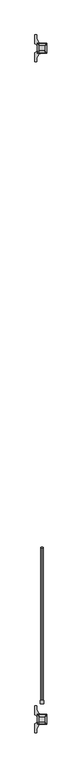
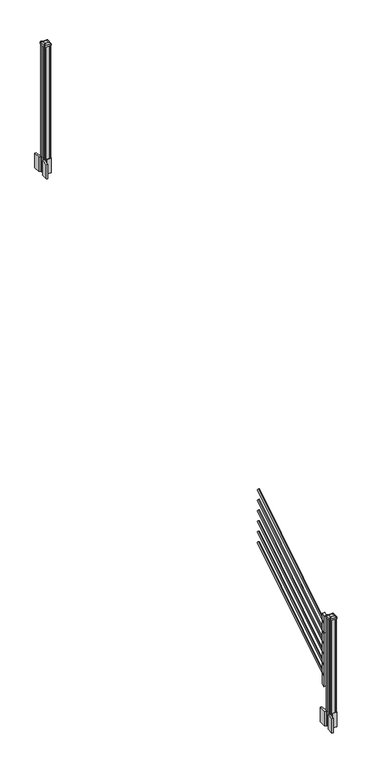
"""IFC4 building model written with IfcOpenShell, lengths in millimetres: railing geometry."""

from ifc_helpers import new_model, si_unit, point, frame, frame_2d, origin, origin_2d, place, context, project, spatial, polyline, circle_curve, trimmed, segment, composite_curve, outline, extrude, source, transform, mapped, element, save
from ifc_brep_helpers import plane_surface, extruded_surface, advanced_brep


def railing_b0cedaad(model_context):
    return source(origin(), model_context, "Body", "SolidModel", [
        extrude(outline(composite_curve([segment(trimmed(circle_curve(origin_2d(), 8.001), [point((0.0, 8.001))], [point((0.0, -8.001))], False, "CARTESIAN"), True, "CONTINUOUS"), segment(trimmed(circle_curve(origin_2d(), 8.001), [point((0.0, -8.001))], [point((0.0, 8.001))], False, "CARTESIAN"), True, "CONTINUOUS")], self_intersect=False)), frame((8331.3274858, -142640.4708453, 505.0646159), z_axis=(0.0, 0.8479983040051253, 0.5299989400031202), x_axis=(1.0, 0.0, 0.0)), (0.0, 0.0, 1.0), 1347.8800542),
        extrude(outline(composite_curve([segment(trimmed(circle_curve(origin_2d(), 8.001), [point((0.0, 8.001))], [point((0.0, -8.001))], False, "CARTESIAN"), True, "CONTINUOUS"), segment(trimmed(circle_curve(origin_2d(), 8.001), [point((0.0, -8.001))], [point((0.0, 8.001))], False, "CARTESIAN"), True, "CONTINUOUS")], self_intersect=False)), frame((8331.3274858, -142640.4708453, 616.2545274), z_axis=(0.0, 0.8479983040051253, 0.5299989400031202), x_axis=(1.0, 0.0, 0.0)), (0.0, 0.0, 1.0), 1347.8800542),
        extrude(outline(composite_curve([segment(trimmed(circle_curve(origin_2d(), 8.001), [point((0.0, 8.001))], [point((0.0, -8.001))], False, "CARTESIAN"), True, "CONTINUOUS"), segment(trimmed(circle_curve(origin_2d(), 8.001), [point((0.0, -8.001))], [point((0.0, 8.001))], False, "CARTESIAN"), True, "CONTINUOUS")], self_intersect=False)), frame((8331.3274858, -142640.4708453, 727.444439), z_axis=(0.0, 0.8479983040051254, 0.5299989400031202), x_axis=(1.0, 0.0, 0.0)), (0.0, 0.0, 1.0), 1347.8800542),
        extrude(outline(composite_curve([segment(trimmed(circle_curve(origin_2d(), 8.001), [point((0.0, 8.001))], [point((0.0, -8.001))], False, "CARTESIAN"), True, "CONTINUOUS"), segment(trimmed(circle_curve(origin_2d(), 8.001), [point((0.0, -8.001))], [point((0.0, 8.001))], False, "CARTESIAN"), True, "CONTINUOUS")], self_intersect=False)), frame((8331.3274858, -142640.4708453, 838.6343506), z_axis=(0.0, 0.8479983040051254, 0.5299989400031202), x_axis=(1.0, 0.0, 0.0)), (0.0, 0.0, 1.0), 1347.8800542),
        extrude(outline(composite_curve([segment(trimmed(circle_curve(origin_2d(), 8.001), [point((0.0, 8.001))], [point((0.0, -8.001))], False, "CARTESIAN"), True, "CONTINUOUS"), segment(trimmed(circle_curve(origin_2d(), 8.001), [point((0.0, -8.001))], [point((0.0, 8.001))], False, "CARTESIAN"), True, "CONTINUOUS")], self_intersect=False)), frame((8331.3274858, -142640.4708453, 949.8242622), z_axis=(0.0, 0.8479983040051253, 0.5299989400031203), x_axis=(1.0, 0.0, 0.0)), (0.0, 0.0, 1.0), 1347.8800542),
        extrude(outline(composite_curve([segment(trimmed(circle_curve(origin_2d(), 8.001), [point((0.0, 8.001))], [point((0.0, -8.001))], False, "CARTESIAN"), True, "CONTINUOUS"), segment(trimmed(circle_curve(origin_2d(), 8.001), [point((0.0, -8.001))], [point((0.0, 8.001))], False, "CARTESIAN"), True, "CONTINUOUS")], self_intersect=False)), frame((8331.3274858, -142640.4708453, 1061.0141737), z_axis=(0.0, 0.8479983040051253, 0.5299989400031203), x_axis=(1.0, 0.0, 0.0)), (0.0, 0.0, 1.0), 1347.8800542),
        extrude(outline(polyline([(-142622.6908453, 415.0953781), (-142648.0908453, 399.2203781), (-142648.0908453, 1140.1425), (-142622.6908453, 1156.0175), (-142622.6908453, 415.0953781)])), frame((8318.9376478, 0.0, 0.0), z_axis=(1.0, 0.0, 0.0), x_axis=(0.0, 1.0, 0.0)), (0.0, 0.0, 1.0), 25.4),
        extrude(outline(composite_curve([segment(polyline([(8364.6893978, -137837.4449401), (8366.2768978, -137838.2069401), (8366.2768978, -137851.7378682), (8363.0626707, -137854.9520953), (8311.3819999, -137854.9520953), (8311.3819999, -137855.8728453), (8315.7323311, -137855.8728453), (8315.7323311, -137857.3271), (8310.6478014, -137857.3271), (8310.6478014, -137858.6111238), (8318.4385135, -137858.6111238)]), True, "CONTINUOUS"), segment(trimmed(circle_curve(frame_2d((8318.4385135, -137875.3543337)), 16.7432099), [point((8318.4385135, -137858.6111238))], [point((8301.8163912, -137873.344327))], True, "CARTESIAN"), True, "CONTINUOUS"), segment(polyline([(8301.8163912, -137873.344327), (8294.1009469, -137890.3796654)]), True, "CONTINUOUS"), segment(trimmed(circle_curve(frame_2d((8339.2017103, -137906.6517151)), 47.9464123), [point((8294.1009469, -137890.3796654))], [point((8291.255298, -137906.6517151))], True, "CARTESIAN"), True, "CONTINUOUS"), segment(polyline([(8291.255298, -137906.6517151), (8291.255298, -137918.6604547), (8279.0517103, -137918.6604547), (8279.0517103, -137853.3645953), (8296.9983978, -137841.788179), (8296.9983978, -137838.2069401), (8298.5858978, -137837.4449401), (8298.5858978, -137803.1807504), (8296.9983978, -137802.4187504), (8296.9983978, -137798.8375116), (8279.0517103, -137787.2610953), (8279.0517103, -137721.9652359), (8291.255298, -137721.9652359), (8291.255298, -137733.9739755)]), True, "CONTINUOUS"), segment(trimmed(circle_curve(frame_2d((8339.2017103, -137733.9739755)), 47.9464123), [point((8291.255298, -137733.9739755))], [point((8294.1009469, -137750.2460251))], True, "CARTESIAN"), True, "CONTINUOUS"), segment(polyline([(8294.1009469, -137750.2460251), (8301.8163912, -137767.2813636)]), True, "CONTINUOUS"), segment(trimmed(circle_curve(frame_2d((8318.4385135, -137765.2713569)), 16.7432099), [point((8301.8163912, -137767.2813636))], [point((8318.4385135, -137782.0145668))], True, "CARTESIAN"), True, "CONTINUOUS"), segment(polyline([(8318.4385135, -137782.0145668), (8320.1057858, -137782.0145668), (8320.1057858, -137783.2985906), (8315.7323311, -137783.2985906), (8315.7323311, -137784.7528453), (8311.3819999, -137784.7528453), (8311.3819999, -137785.6735953), (8363.0626707, -137785.6735953), (8366.2768978, -137788.8878224), (8366.2768978, -137802.4187504), (8364.6893978, -137803.1807504), (8364.6893978, -137837.4449401)]), True, "CONTINUOUS")], self_intersect=False), holes=[polyline([(8299.8876478, -137790.1503453), (8299.8876478, -137850.4753453), (8301.4751478, -137852.0628453), (8328.8744304, -137852.0628453), (8361.8001478, -137852.0628453), (8363.3876478, -137850.4753453), (8363.3876478, -137790.1503453), (8361.8001478, -137788.5628453), (8328.8744304, -137788.5628453), (8301.4751478, -137788.5628453), (8299.8876478, -137790.1503453)])]), frame((0.0, 0.0, 2895.6), z_axis=(0.0, 0.0, 1.0), x_axis=(1.0, 0.0, 0.0)), (0.0, 0.0, 1.0), 152.4),
        advanced_brep(
        [(8315.7626478, -137839.3628453, 4264.149263), (8347.5126478, -137839.3628453, 4264.149263), (8350.6876478, -137836.1878453, 4264.149263), (8350.6876478, -137804.4378453, 4264.149263), (8347.5126478, -137801.2628453, 4264.149263), (8315.7626478, -137801.2628453, 4264.149263), (8312.5876478, -137804.4378453, 4264.149263), (8312.5876478, -137836.1878453, 4264.149263), (8299.2526478, -137855.8728453, 4252.846263), (8296.0776478, -137852.6978453, 4252.846263), (8296.0776478, -137787.9278453, 4252.846263), (8299.2526478, -137784.7528453, 4252.846263), (8364.0226478, -137784.7528453, 4252.846263), (8367.1976478, -137787.9278453, 4252.846263), (8367.1976478, -137852.6978453, 4252.846263), (8364.0226478, -137855.8728453, 4252.846263)],
        [
            (0, 1),
            (1, 2, circle_curve(frame((8347.5126478, -137836.1878453, 4264.149263), z_axis=(0.0, 0.0, 1.0), x_axis=(0.0, 1.0, 0.0)), 3.175)),
            (2, 3),
            (3, 4, circle_curve(frame((8347.5126478, -137804.4378453, 4264.149263), z_axis=(0.0, 0.0, 1.0), x_axis=(0.0, 1.0, 0.0)), 3.175)),
            (4, 5),
            (5, 6, circle_curve(frame((8315.7626478, -137804.4378453, 4264.149263), z_axis=(0.0, 0.0, 1.0), x_axis=(0.0, 1.0, 0.0)), 3.175)),
            (6, 7),
            (7, 0, circle_curve(frame((8315.7626478, -137836.1878453, 4264.149263), z_axis=(0.0, 0.0, 1.0), x_axis=(0.0, 1.0, 0.0)), 3.175)),
            (8, 9, circle_curve(frame((8299.2526478, -137852.6978453, 4252.846263), z_axis=(0.0, 0.0, -1.0), x_axis=(0.0, 1.0, 0.0)), 3.175)),
            (9, 10),
            (10, 11, circle_curve(frame((8299.2526478, -137787.9278453, 4252.846263), z_axis=(0.0, 0.0, -1.0), x_axis=(0.0, 1.0, 0.0)), 3.175)),
            (11, 12),
            (12, 13, circle_curve(frame((8364.0226478, -137787.9278453, 4252.846263), z_axis=(0.0, 0.0, -1.0), x_axis=(0.0, 1.0, 0.0)), 3.175)),
            (13, 14),
            (14, 15, circle_curve(frame((8364.0226478, -137852.6978453, 4252.846263), z_axis=(0.0, 0.0, -1.0), x_axis=(0.0, 1.0, 0.0)), 3.175)),
            (15, 8),
            (8, 0),
            (7, 9),
            (6, 10),
            (5, 11),
            (4, 12),
            (3, 13),
            (2, 14),
            (1, 15),
        ],
        [
            plane_surface(frame((8331.6376478, -137820.3128453, 4264.149263), z_axis=(0.0, 0.0, 1.0), x_axis=(-1.0, 0.0, 0.0))),
            plane_surface(frame((8331.6376478, -137820.3128453, 4252.846263), z_axis=(0.0, 0.0, -1.0), x_axis=(-1.0, 0.0, 0.0))),
            extruded_surface(trimmed(circle_curve(frame((8315.7626478, -137836.1878453, 4264.149263), z_axis=(0.0, 0.0, -1.0), x_axis=(0.0, 1.0, 0.0)), 3.175), [point((8315.7626478, -137839.3628453, 4264.149263))], [point((8312.5876478, -137836.1878453, 4264.149263))], True, "CARTESIAN"), (-16.51000000000022, -16.50999999998021, -11.302999999999884), 25.940663233605864),
            plane_surface(frame((8296.0776478, -137820.3128453, 4252.846263), z_axis=(-0.5649114395471265, 0.0, 0.8251515409116033), x_axis=(0.0, 1.0, 0.0))),
            extruded_surface(trimmed(circle_curve(frame((8315.7626478, -137804.4378453, 4264.149263), z_axis=(0.0, 0.0, -1.0), x_axis=(0.0, 1.0, 0.0)), 3.175), [point((8312.5876478, -137804.4378453, 4264.149263))], [point((8315.7626478, -137801.2628453, 4264.149263))], True, "CARTESIAN"), (-16.51000000000022, 16.510000000009313, -11.302999999999884), 25.940663233624388),
            plane_surface(frame((8331.6376478, -137784.7528453, 4252.846263), z_axis=(0.0, 0.564911439547091, 0.8251515409116277), x_axis=(1.0, 0.0, 0.0))),
            extruded_surface(trimmed(circle_curve(frame((8347.5126478, -137804.4378453, 4264.149263), z_axis=(0.0, 0.0, -1.0), x_axis=(0.0, 1.0, 0.0)), 3.175), [point((8347.5126478, -137801.2628453, 4264.149263))], [point((8350.6876478, -137804.4378453, 4264.149263))], True, "CARTESIAN"), (16.51000000000022, 16.510000000009313, -11.302999999999884), 25.940663233624388),
            plane_surface(frame((8367.1976478, -137820.3128453, 4252.846263), z_axis=(0.5649114395470568, 0.0, 0.8251515409116511), x_axis=(0.0, -1.0, 0.0))),
            extruded_surface(trimmed(circle_curve(frame((8347.5126478, -137836.1878453, 4264.149263), z_axis=(0.0, 0.0, -1.0), x_axis=(0.0, 1.0, 0.0)), 3.175), [point((8350.6876478, -137836.1878453, 4264.149263))], [point((8347.5126478, -137839.3628453, 4264.149263))], True, "CARTESIAN"), (16.51000000000022, -16.50999999998021, -11.302999999999884), 25.940663233605864),
            plane_surface(frame((8331.6376478, -137855.8728453, 4252.846263), z_axis=(0.0, -0.5649114395471048, 0.8251515409116182), x_axis=(-1.0, 0.0, 0.0))),
        ],
        [
            (0, [[1, 2, 3, 4, 5, 6, 7, 8]]),
            (1, [[9, 10, 11, 12, 13, 14, 15, 16]]),
            (2, [[17, -8, 18, -9]]),
            (3, [[-18, -7, 19, -10]]),
            (4, [[-19, -6, 20, -11]]),
            (5, [[-20, -5, 21, -12]]),
            (6, [[-21, -4, 22, -13]]),
            (7, [[-22, -3, 23, -14]]),
            (8, [[-23, -2, 24, -15]]),
            (9, [[-24, -1, -17, -16]]),
        ],
    ),
        extrude(outline(composite_curve([segment(trimmed(circle_curve(frame_2d((8299.2526478, -137852.6978453)), 3.175), [point((8299.2526478, -137855.8728453))], [point((8296.0776478, -137852.6978453))], False, "CARTESIAN"), True, "CONTINUOUS"), segment(polyline([(8296.0776478, -137852.6978453), (8296.0776478, -137787.9278453)]), True, "CONTINUOUS"), segment(trimmed(circle_curve(frame_2d((8299.2526478, -137787.9278453)), 3.175), [point((8296.0776478, -137787.9278453))], [point((8299.2526478, -137784.7528453))], False, "CARTESIAN"), True, "CONTINUOUS"), segment(polyline([(8299.2526478, -137784.7528453), (8364.0226478, -137784.7528453)]), True, "CONTINUOUS"), segment(trimmed(circle_curve(frame_2d((8364.0226478, -137787.9278453)), 3.175), [point((8364.0226478, -137784.7528453))], [point((8367.1976478, -137787.9278453))], False, "CARTESIAN"), True, "CONTINUOUS"), segment(polyline([(8367.1976478, -137787.9278453), (8367.1976478, -137852.6978453)]), True, "CONTINUOUS"), segment(trimmed(circle_curve(frame_2d((8364.0226478, -137852.6978453)), 3.175), [point((8367.1976478, -137852.6978453))], [point((8364.0226478, -137855.8728453))], False, "CARTESIAN"), True, "CONTINUOUS"), segment(polyline([(8364.0226478, -137855.8728453), (8299.2526478, -137855.8728453)]), True, "CONTINUOUS")], self_intersect=False)), frame((0.0, 0.0, 4235.574263), z_axis=(0.0, 0.0, 1.0), x_axis=(1.0, 0.0, 0.0)), (0.0, 0.0, 1.0), 17.272),
        extrude(outline(polyline([(8301.4751478, -137852.0628453), (8299.8876478, -137850.4753453), (8299.8876478, -137840.1248453), (8301.4751478, -137839.3628453), (8301.4751478, -137801.2628453), (8299.8876478, -137800.5008453), (8299.8876478, -137790.1503453), (8301.4751478, -137788.5628453), (8311.8256478, -137788.5628453), (8312.5876478, -137790.1503453), (8350.6876478, -137790.1503453), (8351.4496478, -137788.5628453), (8361.8001478, -137788.5628453), (8363.3876478, -137790.1503453), (8363.3876478, -137800.5008453), (8361.8001478, -137801.2628453), (8361.8001478, -137839.3628453), (8363.3876478, -137840.1248453), (8363.3876478, -137850.4753453), (8361.8001478, -137852.0628453), (8351.4496478, -137852.0628453), (8350.6876478, -137850.4753453), (8312.5876478, -137850.4753453), (8311.8256478, -137852.0628453), (8301.4751478, -137852.0628453)])), frame((0.0, 0.0, 3048.0), z_axis=(0.0, 0.0, 1.0), x_axis=(1.0, 0.0, 0.0)), (0.0, 0.0, 1.0), 1187.574263),
        extrude(outline(composite_curve([segment(polyline([(8364.6893978, -142777.7449401), (8366.2768978, -142778.5069401), (8366.2768978, -142792.0378682), (8363.0626707, -142795.2520953), (8311.3819999, -142795.2520953), (8311.3819999, -142796.1728453), (8315.7323311, -142796.1728453), (8315.7323311, -142797.6271), (8310.6478014, -142797.6271), (8310.6478014, -142798.9111238), (8318.4385135, -142798.9111238)]), True, "CONTINUOUS"), segment(trimmed(circle_curve(frame_2d((8318.4385135, -142815.6543337)), 16.7432099), [point((8318.4385135, -142798.9111238))], [point((8301.8163912, -142813.644327))], True, "CARTESIAN"), True, "CONTINUOUS"), segment(polyline([(8301.8163912, -142813.644327), (8294.1009469, -142830.6796654)]), True, "CONTINUOUS"), segment(trimmed(circle_curve(frame_2d((8339.2017103, -142846.9517151)), 47.9464123), [point((8294.1009469, -142830.6796654))], [point((8291.255298, -142846.9517151))], True, "CARTESIAN"), True, "CONTINUOUS"), segment(polyline([(8291.255298, -142846.9517151), (8291.255298, -142858.9604547), (8279.0517103, -142858.9604547), (8279.0517103, -142793.6645953), (8296.9983978, -142782.088179), (8296.9983978, -142778.5069401), (8298.5858978, -142777.7449401), (8298.5858978, -142743.4807504), (8296.9983978, -142742.7187504), (8296.9983978, -142739.1375116), (8279.0517103, -142727.5610953), (8279.0517103, -142662.2652359), (8291.255298, -142662.2652359), (8291.255298, -142674.2739755)]), True, "CONTINUOUS"), segment(trimmed(circle_curve(frame_2d((8339.2017103, -142674.2739755)), 47.9464123), [point((8291.255298, -142674.2739755))], [point((8294.1009469, -142690.5460251))], True, "CARTESIAN"), True, "CONTINUOUS"), segment(polyline([(8294.1009469, -142690.5460251), (8301.8163912, -142707.5813636)]), True, "CONTINUOUS"), segment(trimmed(circle_curve(frame_2d((8318.4385135, -142705.5713569)), 16.7432099), [point((8301.8163912, -142707.5813636))], [point((8318.4385135, -142722.3145668))], True, "CARTESIAN"), True, "CONTINUOUS"), segment(polyline([(8318.4385135, -142722.3145668), (8320.1057858, -142722.3145668), (8320.1057858, -142723.5985906), (8315.7323311, -142723.5985906), (8315.7323311, -142725.0528453), (8311.3819999, -142725.0528453), (8311.3819999, -142725.9735953), (8363.0626707, -142725.9735953), (8366.2768978, -142729.1878224), (8366.2768978, -142742.7187504), (8364.6893978, -142743.4807504), (8364.6893978, -142777.7449401)]), True, "CONTINUOUS")], self_intersect=False), holes=[polyline([(8299.8876478, -142730.4503453), (8299.8876478, -142790.7753453), (8301.4751478, -142792.3628453), (8328.8744304, -142792.3628453), (8361.8001478, -142792.3628453), (8363.3876478, -142790.7753453), (8363.3876478, -142730.4503453), (8361.8001478, -142728.8628453), (8328.8744304, -142728.8628453), (8301.4751478, -142728.8628453), (8299.8876478, -142730.4503453)])]), frame((0.0, 0.0, 50.00625), z_axis=(0.0, 0.0, 1.0), x_axis=(1.0, 0.0, 0.0)), (0.0, 0.0, 1.0), 152.4),
        advanced_brep(
        [(8315.7626478, -142779.6628453, 1215.355513), (8347.5126478, -142779.6628453, 1215.355513), (8350.6876478, -142776.4878453, 1215.355513), (8350.6876478, -142744.7378453, 1215.355513), (8347.5126478, -142741.5628453, 1215.355513), (8315.7626478, -142741.5628453, 1215.355513), (8312.5876478, -142744.7378453, 1215.355513), (8312.5876478, -142776.4878453, 1215.355513), (8299.2526478, -142796.1728453, 1204.052513), (8296.0776478, -142792.9978453, 1204.052513), (8296.0776478, -142728.2278453, 1204.052513), (8299.2526478, -142725.0528453, 1204.052513), (8364.0226478, -142725.0528453, 1204.052513), (8367.1976478, -142728.2278453, 1204.052513), (8367.1976478, -142792.9978453, 1204.052513), (8364.0226478, -142796.1728453, 1204.052513)],
        [
            (0, 1),
            (1, 2, circle_curve(frame((8347.5126478, -142776.4878453, 1215.355513), z_axis=(0.0, 0.0, 1.0), x_axis=(0.0, 1.0, 0.0)), 3.175)),
            (2, 3),
            (3, 4, circle_curve(frame((8347.5126478, -142744.7378453, 1215.355513), z_axis=(0.0, 0.0, 1.0), x_axis=(0.0, 1.0, 0.0)), 3.175)),
            (4, 5),
            (5, 6, circle_curve(frame((8315.7626478, -142744.7378453, 1215.355513), z_axis=(0.0, 0.0, 1.0), x_axis=(0.0, 1.0, 0.0)), 3.175)),
            (6, 7),
            (7, 0, circle_curve(frame((8315.7626478, -142776.4878453, 1215.355513), z_axis=(0.0, 0.0, 1.0), x_axis=(0.0, 1.0, 0.0)), 3.175)),
            (8, 9, circle_curve(frame((8299.2526478, -142792.9978453, 1204.052513), z_axis=(0.0, 0.0, -1.0), x_axis=(0.0, 1.0, 0.0)), 3.175)),
            (9, 10),
            (10, 11, circle_curve(frame((8299.2526478, -142728.2278453, 1204.052513), z_axis=(0.0, 0.0, -1.0), x_axis=(0.0, 1.0, 0.0)), 3.175)),
            (11, 12),
            (12, 13, circle_curve(frame((8364.0226478, -142728.2278453, 1204.052513), z_axis=(0.0, 0.0, -1.0), x_axis=(0.0, 1.0, 0.0)), 3.175)),
            (13, 14),
            (14, 15, circle_curve(frame((8364.0226478, -142792.9978453, 1204.052513), z_axis=(0.0, 0.0, -1.0), x_axis=(0.0, 1.0, 0.0)), 3.175)),
            (15, 8),
            (8, 0),
            (7, 9),
            (6, 10),
            (5, 11),
            (4, 12),
            (3, 13),
            (2, 14),
            (1, 15),
        ],
        [
            plane_surface(frame((8331.6376478, -142760.6128453, 1215.355513), z_axis=(0.0, 0.0, 1.0), x_axis=(-1.0, 0.0, 0.0))),
            plane_surface(frame((8331.6376478, -142760.6128453, 1204.052513), z_axis=(0.0, 0.0, -1.0), x_axis=(-1.0, 0.0, 0.0))),
            extruded_surface(trimmed(circle_curve(frame((8315.7626478, -142776.4878453, 1215.355513), z_axis=(0.0, 0.0, -1.0), x_axis=(0.0, 1.0, 0.0)), 3.175), [point((8315.7626478, -142779.6628453, 1215.355513))], [point((8312.5876478, -142776.4878453, 1215.355513))], True, "CARTESIAN"), (-16.51000000000022, -16.510000000009313, -11.302999999999884), 25.940663233624388),
            plane_surface(frame((8296.0776478, -142760.6128453, 1204.052513), z_axis=(-0.5649114395471265, 0.0, 0.8251515409116033), x_axis=(0.0, 1.0, 0.0))),
            extruded_surface(trimmed(circle_curve(frame((8315.7626478, -142744.7378453, 1215.355513), z_axis=(0.0, 0.0, -1.0), x_axis=(0.0, 1.0, 0.0)), 3.175), [point((8312.5876478, -142744.7378453, 1215.355513))], [point((8315.7626478, -142741.5628453, 1215.355513))], True, "CARTESIAN"), (-16.51000000000022, 16.510000000009313, -11.302999999999884), 25.940663233624388),
            plane_surface(frame((8331.6376478, -142725.0528453, 1204.052513), z_axis=(0.0, 0.564911439547091, 0.8251515409116277), x_axis=(1.0, 0.0, 0.0))),
            extruded_surface(trimmed(circle_curve(frame((8347.5126478, -142744.7378453, 1215.355513), z_axis=(0.0, 0.0, -1.0), x_axis=(0.0, 1.0, 0.0)), 3.175), [point((8347.5126478, -142741.5628453, 1215.355513))], [point((8350.6876478, -142744.7378453, 1215.355513))], True, "CARTESIAN"), (16.51000000000022, 16.510000000009313, -11.302999999999884), 25.940663233624388),
            plane_surface(frame((8367.1976478, -142760.6128453, 1204.052513), z_axis=(0.5649114395470569, 0.0, 0.825151540911651), x_axis=(0.0, -1.0, 0.0))),
            extruded_surface(trimmed(circle_curve(frame((8347.5126478, -142776.4878453, 1215.355513), z_axis=(0.0, 0.0, -1.0), x_axis=(0.0, 1.0, 0.0)), 3.175), [point((8350.6876478, -142776.4878453, 1215.355513))], [point((8347.5126478, -142779.6628453, 1215.355513))], True, "CARTESIAN"), (16.51000000000022, -16.510000000009313, -11.302999999999884), 25.940663233624388),
            plane_surface(frame((8331.6376478, -142796.1728453, 1204.052513), z_axis=(0.0, -0.5649114395471048, 0.8251515409116182), x_axis=(-1.0, 0.0, 0.0))),
        ],
        [
            (0, [[1, 2, 3, 4, 5, 6, 7, 8]]),
            (1, [[9, 10, 11, 12, 13, 14, 15, 16]]),
            (2, [[17, -8, 18, -9]]),
            (3, [[-18, -7, 19, -10]]),
            (4, [[-19, -6, 20, -11]]),
            (5, [[-20, -5, 21, -12]]),
            (6, [[-21, -4, 22, -13]]),
            (7, [[-22, -3, 23, -14]]),
            (8, [[-23, -2, 24, -15]]),
            (9, [[-24, -1, -17, -16]]),
        ],
    ),
        extrude(outline(composite_curve([segment(trimmed(circle_curve(frame_2d((8299.2526478, -142792.9978453)), 3.175), [point((8299.2526478, -142796.1728453))], [point((8296.0776478, -142792.9978453))], False, "CARTESIAN"), True, "CONTINUOUS"), segment(polyline([(8296.0776478, -142792.9978453), (8296.0776478, -142728.2278453)]), True, "CONTINUOUS"), segment(trimmed(circle_curve(frame_2d((8299.2526478, -142728.2278453)), 3.175), [point((8296.0776478, -142728.2278453))], [point((8299.2526478, -142725.0528453))], False, "CARTESIAN"), True, "CONTINUOUS"), segment(polyline([(8299.2526478, -142725.0528453), (8364.0226478, -142725.0528453)]), True, "CONTINUOUS"), segment(trimmed(circle_curve(frame_2d((8364.0226478, -142728.2278453)), 3.175), [point((8364.0226478, -142725.0528453))], [point((8367.1976478, -142728.2278453))], False, "CARTESIAN"), True, "CONTINUOUS"), segment(polyline([(8367.1976478, -142728.2278453), (8367.1976478, -142792.9978453)]), True, "CONTINUOUS"), segment(trimmed(circle_curve(frame_2d((8364.0226478, -142792.9978453)), 3.175), [point((8367.1976478, -142792.9978453))], [point((8364.0226478, -142796.1728453))], False, "CARTESIAN"), True, "CONTINUOUS"), segment(polyline([(8364.0226478, -142796.1728453), (8299.2526478, -142796.1728453)]), True, "CONTINUOUS")], self_intersect=False)), frame((0.0, 0.0, 1186.780513), z_axis=(0.0, 0.0, 1.0), x_axis=(1.0, 0.0, 0.0)), (0.0, 0.0, 1.0), 17.272),
        extrude(outline(polyline([(8301.4751478, -142792.3628453), (8299.8876478, -142790.7753453), (8299.8876478, -142780.4248453), (8301.4751478, -142779.6628453), (8301.4751478, -142741.5628453), (8299.8876478, -142740.8008453), (8299.8876478, -142730.4503453), (8301.4751478, -142728.8628453), (8311.8256478, -142728.8628453), (8312.5876478, -142730.4503453), (8350.6876478, -142730.4503453), (8351.4496478, -142728.8628453), (8361.8001478, -142728.8628453), (8363.3876478, -142730.4503453), (8363.3876478, -142740.8008453), (8361.8001478, -142741.5628453), (8361.8001478, -142779.6628453), (8363.3876478, -142780.4248453), (8363.3876478, -142790.7753453), (8361.8001478, -142792.3628453), (8351.4496478, -142792.3628453), (8350.6876478, -142790.7753453), (8312.5876478, -142790.7753453), (8311.8256478, -142792.3628453), (8301.4751478, -142792.3628453)])), frame((0.0, 0.0, 202.40625), z_axis=(0.0, 0.0, 1.0), x_axis=(1.0, 0.0, 0.0)), (0.0, 0.0, 1.0), 984.374263),
    ])


if __name__ == "__main__":
    model = new_model("IFC4")
    model_context = context("Model", 3, world=origin())
    ifc_project = project(units=[si_unit("LENGTHUNIT", "METRE", prefix="MILLI")], contexts=[model_context])
    site = spatial("IfcSite", under=ifc_project)
    building = spatial("IfcBuilding", under=site)
    placement = place(None, origin())
    railing_shape = railing_b0cedaad(model_context)
    element("IfcRailing", 1, at=placement, inside=building, context=model_context, shape_type="MappedRepresentation", body=[
        mapped(railing_shape, transform((0.0, 0.0, 0.0), x_axis=(1.0, 0.0, 0.0), y_axis=(0.0, 1.0, 0.0), z_axis=(0.0, 0.0, 1.0))),
    ])
    save(model, "model.ifc")
